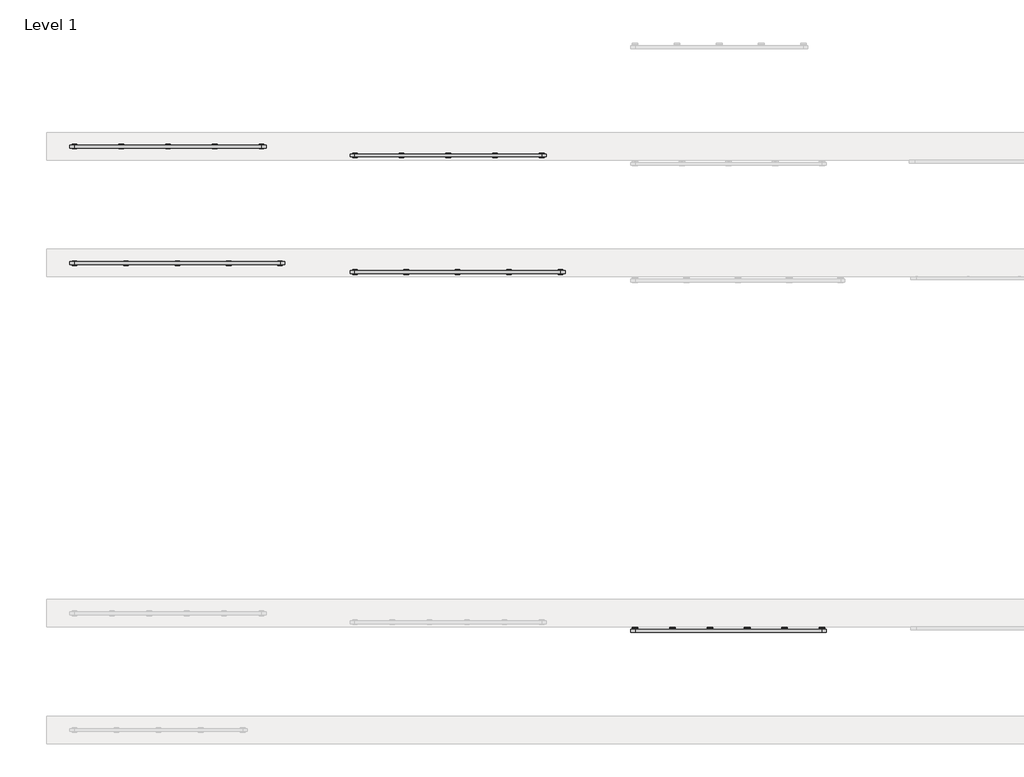
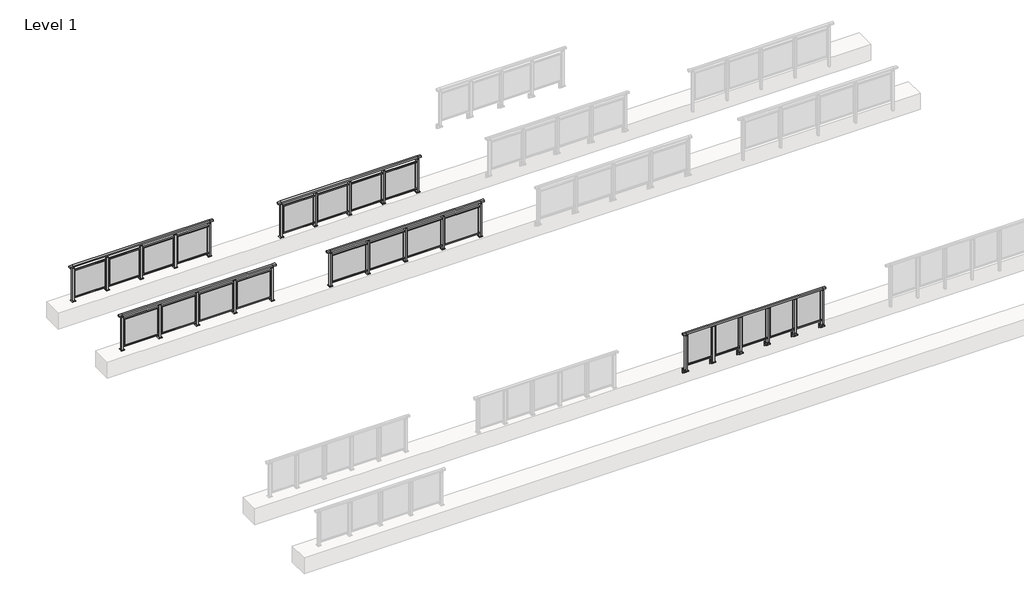
# One storey, part 29 of 37: 5 railings.
"""IFC4 building model written with IfcOpenShell, lengths in millimetres."""

from ifc_helpers import new_model, si_unit, point, frame, frame_2d, origin, origin_with_axes, place, context, project, spatial, polyline, circle_curve, trimmed, segment, composite_curve, outline, extrude, faceted_brep, element, save

model = new_model("IFC4")

# Units and contexts
model_context = context("Model", 3, world=origin())
ifc_project = project(units=[si_unit("LENGTHUNIT", "METRE", prefix="MILLI")], contexts=[model_context])

# Site, building, storey
site = spatial("IfcSite", under=ifc_project)
building = spatial("IfcBuilding", under=site)
storey = spatial("IfcBuildingStorey", under=building, Name="Level 1", Elevation=0.0)

# Railings
placement = place(None, origin())
element("IfcRailing", 1, at=placement, inside=storey, context=model_context, shape_type="SolidModel", body=[
    faceted_brep([(41910.0, 52347.6846828, 1100.0), (41910.0, 52347.6846828, 1055.0), (41910.0, 52287.6846828, 1055.0), (41910.0, 52287.6846828, 1100.0), (42000.0, 52347.6846828, 1100.0), (42000.0, 52347.6846828, 1055.0), (42000.0, 52287.6846828, 1055.0), (42000.0, 52287.6846828, 1100.0), (46000.0, 52347.6846828, 1100.0), (46000.0, 52347.6846828, 1055.0), (46000.0, 52287.6846828, 1055.0), (46000.0, 52287.6846828, 1100.0), (46090.0, 52347.6846828, 1100.0), (46090.0, 52287.6846828, 1100.0), (46090.0, 52287.6846828, 1055.0), (46090.0, 52347.6846828, 1055.0)], [[[0, 1, 2, 3]], [[1, 0, 4, 5]], [[2, 1, 5, 6]], [[3, 2, 6, 7]], [[0, 3, 7, 4]], [[5, 4, 8, 9]], [[6, 5, 9, 10]], [[7, 6, 10, 11]], [[4, 7, 11, 8]], [[12, 13, 14, 15]], [[9, 8, 12, 15]], [[10, 9, 15, 14]], [[11, 10, 14, 13]], [[8, 11, 13, 12]]]),
    extrude(outline(polyline([(42000.0, 52300.1846828), (42000.0, 52335.1846828), (46000.0, 52335.1846828), (46000.0, 52300.1846828), (42000.0, 52300.1846828)])), frame((0.0, 0.0, 95.0), z_axis=(0.0, 0.0, 1.0), x_axis=(1.0, 0.0, 0.0)), (0.0, 0.0, 1.0), 30.0),
    extrude(outline(polyline([(45272.5, 52315.9094929), (45272.5, 52321.9094929), (45927.5, 52321.9094929), (45927.5, 52315.9094929), (45272.5, 52315.9094929)])), frame((0.0, 0.0, 125.0), z_axis=(0.0, 0.0, 1.0), x_axis=(1.0, 0.0, 0.0)), (0.0, 0.0, 1.0), 930.0),
    extrude(outline(composite_curve([segment(polyline([(52350.1846828, -70.0), (52384.1846828, -63.0), (52384.1846828, -32.5), (52400.1846828, -32.5), (52400.1846828, -167.5), (52384.1846828, -167.5), (52384.1846828, -113.5)]), True, "CONTINUOUS"), segment(trimmed(circle_curve(frame_2d((52364.1846828, -113.5)), 20.0), [point((52384.1846828, -113.5))], [point((52364.1846828, -93.5))], True, "CARTESIAN"), True, "CONTINUOUS"), segment(polyline([(52364.1846828, -93.5), (52280.1846828, -93.5), (52280.1846828, -70.0), (52350.1846828, -70.0)]), True, "CONTINUOUS")], self_intersect=False)), frame((45140.0, 0.0, 0.0), z_axis=(1.0, 0.0, 0.0), x_axis=(0.0, 1.0, 0.0)), (0.0, 0.0, 1.0), 120.0),
    extrude(outline(polyline([(45222.5, 52350.1846828), (45222.5, 52285.1846828), (45177.5, 52285.1846828), (45177.5, 52350.1846828), (45222.5, 52350.1846828)])), frame((0.0, 0.0, -70.0), z_axis=(0.0, 0.0, 1.0), x_axis=(1.0, 0.0, 0.0)), (0.0, 0.0, 1.0), 1097.0),
    extrude(outline(polyline([(45210.0, 52327.6846828), (45210.0, 52307.6846828), (45190.0, 52307.6846828), (45190.0, 52327.6846828), (45210.0, 52327.6846828)])), frame((0.0, 0.0, 1035.0), z_axis=(0.0, 0.0, 1.0), x_axis=(1.0, 0.0, 0.0)), (0.0, 0.0, 1.0), 20.0),
    extrude(outline(polyline([(45222.5, 52350.1846828), (45222.5, 52285.1846828), (45177.5, 52285.1846828), (45177.5, 52350.1846828), (45222.5, 52350.1846828)])), frame((0.0, 0.0, 1027.0), z_axis=(0.0, 0.0, 1.0), x_axis=(1.0, 0.0, 0.0)), (0.0, 0.0, 1.0), 8.0),
    extrude(outline(polyline([(44472.5, 52315.9094929), (44472.5, 52321.9094929), (45127.5, 52321.9094929), (45127.5, 52315.9094929), (44472.5, 52315.9094929)])), frame((0.0, 0.0, 125.0), z_axis=(0.0, 0.0, 1.0), x_axis=(1.0, 0.0, 0.0)), (0.0, 0.0, 1.0), 930.0),
    extrude(outline(composite_curve([segment(polyline([(52350.1846828, -70.0), (52384.1846828, -63.0), (52384.1846828, -32.5), (52400.1846828, -32.5), (52400.1846828, -167.5), (52384.1846828, -167.5), (52384.1846828, -113.5)]), True, "CONTINUOUS"), segment(trimmed(circle_curve(frame_2d((52364.1846828, -113.5)), 20.0), [point((52384.1846828, -113.5))], [point((52364.1846828, -93.5))], True, "CARTESIAN"), True, "CONTINUOUS"), segment(polyline([(52364.1846828, -93.5), (52280.1846828, -93.5), (52280.1846828, -70.0), (52350.1846828, -70.0)]), True, "CONTINUOUS")], self_intersect=False)), frame((44340.0, 0.0, 0.0), z_axis=(1.0, 0.0, 0.0), x_axis=(0.0, 1.0, 0.0)), (0.0, 0.0, 1.0), 120.0),
    extrude(outline(polyline([(44422.5, 52350.1846828), (44422.5, 52285.1846828), (44377.5, 52285.1846828), (44377.5, 52350.1846828), (44422.5, 52350.1846828)])), frame((0.0, 0.0, -70.0), z_axis=(0.0, 0.0, 1.0), x_axis=(1.0, 0.0, 0.0)), (0.0, 0.0, 1.0), 1097.0),
    extrude(outline(polyline([(44410.0, 52327.6846828), (44410.0, 52307.6846828), (44390.0, 52307.6846828), (44390.0, 52327.6846828), (44410.0, 52327.6846828)])), frame((0.0, 0.0, 1035.0), z_axis=(0.0, 0.0, 1.0), x_axis=(1.0, 0.0, 0.0)), (0.0, 0.0, 1.0), 20.0),
    extrude(outline(polyline([(44422.5, 52350.1846828), (44422.5, 52285.1846828), (44377.5, 52285.1846828), (44377.5, 52350.1846828), (44422.5, 52350.1846828)])), frame((0.0, 0.0, 1027.0), z_axis=(0.0, 0.0, 1.0), x_axis=(1.0, 0.0, 0.0)), (0.0, 0.0, 1.0), 8.0),
    extrude(outline(polyline([(43672.5, 52315.9094929), (43672.5, 52321.9094929), (44327.5, 52321.9094929), (44327.5, 52315.9094929), (43672.5, 52315.9094929)])), frame((0.0, 0.0, 125.0), z_axis=(0.0, 0.0, 1.0), x_axis=(1.0, 0.0, 0.0)), (0.0, 0.0, 1.0), 930.0),
    extrude(outline(composite_curve([segment(polyline([(52350.1846828, -70.0), (52384.1846828, -63.0), (52384.1846828, -32.5), (52400.1846828, -32.5), (52400.1846828, -167.5), (52384.1846828, -167.5), (52384.1846828, -113.5)]), True, "CONTINUOUS"), segment(trimmed(circle_curve(frame_2d((52364.1846828, -113.5)), 20.0), [point((52384.1846828, -113.5))], [point((52364.1846828, -93.5))], True, "CARTESIAN"), True, "CONTINUOUS"), segment(polyline([(52364.1846828, -93.5), (52280.1846828, -93.5), (52280.1846828, -70.0), (52350.1846828, -70.0)]), True, "CONTINUOUS")], self_intersect=False)), frame((43540.0, 0.0, 0.0), z_axis=(1.0, 0.0, 0.0), x_axis=(0.0, 1.0, 0.0)), (0.0, 0.0, 1.0), 120.0),
    extrude(outline(polyline([(43622.5, 52350.1846828), (43622.5, 52285.1846828), (43577.5, 52285.1846828), (43577.5, 52350.1846828), (43622.5, 52350.1846828)])), frame((0.0, 0.0, -70.0), z_axis=(0.0, 0.0, 1.0), x_axis=(1.0, 0.0, 0.0)), (0.0, 0.0, 1.0), 1097.0),
    extrude(outline(polyline([(43610.0, 52327.6846828), (43610.0, 52307.6846828), (43590.0, 52307.6846828), (43590.0, 52327.6846828), (43610.0, 52327.6846828)])), frame((0.0, 0.0, 1035.0), z_axis=(0.0, 0.0, 1.0), x_axis=(1.0, 0.0, 0.0)), (0.0, 0.0, 1.0), 20.0),
    extrude(outline(polyline([(43622.5, 52350.1846828), (43622.5, 52285.1846828), (43577.5, 52285.1846828), (43577.5, 52350.1846828), (43622.5, 52350.1846828)])), frame((0.0, 0.0, 1027.0), z_axis=(0.0, 0.0, 1.0), x_axis=(1.0, 0.0, 0.0)), (0.0, 0.0, 1.0), 8.0),
    extrude(outline(polyline([(42872.5, 52315.9094929), (42872.5, 52321.9094929), (43527.5, 52321.9094929), (43527.5, 52315.9094929), (42872.5, 52315.9094929)])), frame((0.0, 0.0, 125.0), z_axis=(0.0, 0.0, 1.0), x_axis=(1.0, 0.0, 0.0)), (0.0, 0.0, 1.0), 930.0),
    extrude(outline(composite_curve([segment(polyline([(52350.1846828, -70.0), (52384.1846828, -63.0), (52384.1846828, -32.5), (52400.1846828, -32.5), (52400.1846828, -167.5), (52384.1846828, -167.5), (52384.1846828, -113.5)]), True, "CONTINUOUS"), segment(trimmed(circle_curve(frame_2d((52364.1846828, -113.5)), 20.0), [point((52384.1846828, -113.5))], [point((52364.1846828, -93.5))], True, "CARTESIAN"), True, "CONTINUOUS"), segment(polyline([(52364.1846828, -93.5), (52280.1846828, -93.5), (52280.1846828, -70.0), (52350.1846828, -70.0)]), True, "CONTINUOUS")], self_intersect=False)), frame((42740.0, 0.0, 0.0), z_axis=(1.0, 0.0, 0.0), x_axis=(0.0, 1.0, 0.0)), (0.0, 0.0, 1.0), 120.0),
    extrude(outline(polyline([(42822.5, 52350.1846828), (42822.5, 52285.1846828), (42777.5, 52285.1846828), (42777.5, 52350.1846828), (42822.5, 52350.1846828)])), frame((0.0, 0.0, -70.0), z_axis=(0.0, 0.0, 1.0), x_axis=(1.0, 0.0, 0.0)), (0.0, 0.0, 1.0), 1097.0),
    extrude(outline(polyline([(42810.0, 52327.6846828), (42810.0, 52307.6846828), (42790.0, 52307.6846828), (42790.0, 52327.6846828), (42810.0, 52327.6846828)])), frame((0.0, 0.0, 1035.0), z_axis=(0.0, 0.0, 1.0), x_axis=(1.0, 0.0, 0.0)), (0.0, 0.0, 1.0), 20.0),
    extrude(outline(polyline([(42822.5, 52350.1846828), (42822.5, 52285.1846828), (42777.5, 52285.1846828), (42777.5, 52350.1846828), (42822.5, 52350.1846828)])), frame((0.0, 0.0, 1027.0), z_axis=(0.0, 0.0, 1.0), x_axis=(1.0, 0.0, 0.0)), (0.0, 0.0, 1.0), 8.0),
    extrude(outline(polyline([(42072.5, 52315.9094929), (42072.5, 52321.9094929), (42727.5, 52321.9094929), (42727.5, 52315.9094929), (42072.5, 52315.9094929)])), frame((0.0, 0.0, 125.0), z_axis=(0.0, 0.0, 1.0), x_axis=(1.0, 0.0, 0.0)), (0.0, 0.0, 1.0), 930.0),
    extrude(outline(composite_curve([segment(polyline([(52350.1846828, -70.0), (52384.1846828, -63.0), (52384.1846828, -32.5), (52400.1846828, -32.5), (52400.1846828, -167.5), (52384.1846828, -167.5), (52384.1846828, -113.5)]), True, "CONTINUOUS"), segment(trimmed(circle_curve(frame_2d((52364.1846828, -113.5)), 20.0), [point((52384.1846828, -113.5))], [point((52364.1846828, -93.5))], True, "CARTESIAN"), True, "CONTINUOUS"), segment(polyline([(52364.1846828, -93.5), (52280.1846828, -93.5), (52280.1846828, -70.0), (52350.1846828, -70.0)]), True, "CONTINUOUS")], self_intersect=False)), frame((45940.0, 0.0, 0.0), z_axis=(1.0, 0.0, 0.0), x_axis=(0.0, 1.0, 0.0)), (0.0, 0.0, 1.0), 120.0),
    extrude(outline(polyline([(46022.5, 52350.1846828), (46022.5, 52285.1846828), (45977.5, 52285.1846828), (45977.5, 52350.1846828), (46022.5, 52350.1846828)])), frame((0.0, 0.0, -70.0), z_axis=(0.0, 0.0, 1.0), x_axis=(1.0, 0.0, 0.0)), (0.0, 0.0, 1.0), 1097.0),
    extrude(outline(polyline([(46010.0, 52327.6846828), (46010.0, 52307.6846828), (45990.0, 52307.6846828), (45990.0, 52327.6846828), (46010.0, 52327.6846828)])), frame((0.0, 0.0, 1035.0), z_axis=(0.0, 0.0, 1.0), x_axis=(1.0, 0.0, 0.0)), (0.0, 0.0, 1.0), 20.0),
    extrude(outline(polyline([(46022.5, 52350.1846828), (46022.5, 52285.1846828), (45977.5, 52285.1846828), (45977.5, 52350.1846828), (46022.5, 52350.1846828)])), frame((0.0, 0.0, 1027.0), z_axis=(0.0, 0.0, 1.0), x_axis=(1.0, 0.0, 0.0)), (0.0, 0.0, 1.0), 8.0),
    extrude(outline(composite_curve([segment(polyline([(52350.1846828, -70.0), (52384.1846828, -63.0), (52384.1846828, -32.5), (52400.1846828, -32.5), (52400.1846828, -167.5), (52384.1846828, -167.5), (52384.1846828, -113.5)]), True, "CONTINUOUS"), segment(trimmed(circle_curve(frame_2d((52364.1846828, -113.5)), 20.0), [point((52384.1846828, -113.5))], [point((52364.1846828, -93.5))], True, "CARTESIAN"), True, "CONTINUOUS"), segment(polyline([(52364.1846828, -93.5), (52280.1846828, -93.5), (52280.1846828, -70.0), (52350.1846828, -70.0)]), True, "CONTINUOUS")], self_intersect=False)), frame((41940.0, 0.0, 0.0), z_axis=(1.0, 0.0, 0.0), x_axis=(0.0, 1.0, 0.0)), (0.0, 0.0, 1.0), 120.0),
    extrude(outline(polyline([(42022.5, 52350.1846828), (42022.5, 52285.1846828), (41977.5, 52285.1846828), (41977.5, 52350.1846828), (42022.5, 52350.1846828)])), frame((0.0, 0.0, -70.0), z_axis=(0.0, 0.0, 1.0), x_axis=(1.0, 0.0, 0.0)), (0.0, 0.0, 1.0), 1097.0),
    extrude(outline(polyline([(42010.0, 52327.6846828), (42010.0, 52307.6846828), (41990.0, 52307.6846828), (41990.0, 52327.6846828), (42010.0, 52327.6846828)])), frame((0.0, 0.0, 1035.0), z_axis=(0.0, 0.0, 1.0), x_axis=(1.0, 0.0, 0.0)), (0.0, 0.0, 1.0), 20.0),
    extrude(outline(polyline([(42022.5, 52350.1846828), (42022.5, 52285.1846828), (41977.5, 52285.1846828), (41977.5, 52350.1846828), (42022.5, 52350.1846828)])), frame((0.0, 0.0, 1027.0), z_axis=(0.0, 0.0, 1.0), x_axis=(1.0, 0.0, 0.0)), (0.0, 0.0, 1.0), 8.0),
])
element("IfcRailing", 2, at=placement, inside=storey, context=model_context, shape_type="SolidModel", body=[
    faceted_brep([(30000.0, 60220.1846828, 1055.0), (30000.0, 60220.1846828, 1100.0), (34400.0, 60220.1846828, 1100.0), (34400.0, 60220.1846828, 1055.0), (30000.0, 60160.1846828, 1055.0), (34400.0, 60160.1846828, 1055.0), (30000.0, 60160.1846828, 1100.0), (34400.0, 60160.1846828, 1100.0), (29900.0, 60220.1846828, 1100.0), (29900.0, 60220.1846828, 1055.0), (29900.0, 60160.1846828, 1055.0), (29900.0, 60160.1846828, 1100.0), (34500.0, 60220.1846828, 1100.0), (34500.0, 60160.1846828, 1100.0), (34500.0, 60160.1846828, 1055.0), (34500.0, 60220.1846828, 1055.0)], [[[0, 1, 2, 3]], [[4, 0, 3, 5]], [[6, 4, 5, 7]], [[1, 6, 7, 2]], [[8, 9, 10, 11]], [[9, 8, 1, 0]], [[10, 9, 0, 4]], [[11, 10, 4, 6]], [[8, 11, 6, 1]], [[12, 13, 14, 15]], [[3, 2, 12, 15]], [[5, 3, 15, 14]], [[7, 5, 14, 13]], [[2, 7, 13, 12]]]),
    extrude(outline(polyline([(30000.0, 60172.6846828), (30000.0, 60207.6846828), (34400.0, 60207.6846828), (34400.0, 60172.6846828), (30000.0, 60172.6846828)])), frame((0.0, 0.0, 930.0), z_axis=(0.0, 0.0, 1.0), x_axis=(1.0, 0.0, 0.0)), (0.0, 0.0, 1.0), 30.0),
    extrude(outline(polyline([(30000.0, 60172.6846828), (30000.0, 60207.6846828), (34400.0, 60207.6846828), (34400.0, 60172.6846828), (30000.0, 60172.6846828)])), frame((0.0, 0.0, 95.0), z_axis=(0.0, 0.0, 1.0), x_axis=(1.0, 0.0, 0.0)), (0.0, 0.0, 1.0), 30.0),
    extrude(outline(polyline([(33372.5, 60191.9598727), (34327.5, 60191.9598727), (34327.5, 60185.9598727), (33372.5, 60185.9598727), (33372.5, 60191.9598727)])), frame((0.0, 0.0, 125.0), z_axis=(0.0, 0.0, 1.0), x_axis=(1.0, 0.0, 0.0)), (0.0, 0.0, 1.0), 805.0),
    extrude(outline(polyline([(33310.0, 60180.1846828), (33290.0, 60180.1846828), (33290.0, 60200.1846828), (33310.0, 60200.1846828), (33310.0, 60180.1846828)])), frame((0.0, 0.0, 1035.0), z_axis=(0.0, 0.0, 1.0), x_axis=(1.0, 0.0, 0.0)), (0.0, 0.0, 1.0), 20.0),
    extrude(outline(polyline([(33322.5, 60157.6846828), (33277.5, 60157.6846828), (33277.5, 60222.6846828), (33322.5, 60222.6846828), (33322.5, 60157.6846828)])), frame((0.0, 0.0, 1027.0), z_axis=(0.0, 0.0, 1.0), x_axis=(1.0, 0.0, 0.0)), (0.0, 0.0, 1.0), 8.0),
    extrude(outline(polyline([(33350.0, 60140.1846828), (33250.0, 60140.1846828), (33250.0, 60240.1846828), (33350.0, 60240.1846828), (33350.0, 60140.1846828)])), origin_with_axes(), (0.0, 0.0, 1.0), 12.0),
    extrude(outline(polyline([(33322.5, 60157.6846828), (33277.5, 60157.6846828), (33277.5, 60222.6846828), (33322.5, 60222.6846828), (33322.5, 60157.6846828)])), frame((0.0, 0.0, 12.0), z_axis=(0.0, 0.0, 1.0), x_axis=(1.0, 0.0, 0.0)), (0.0, 0.0, 1.0), 1015.0),
    extrude(outline(polyline([(32272.5, 60191.9598727), (33227.5, 60191.9598727), (33227.5, 60185.9598727), (32272.5, 60185.9598727), (32272.5, 60191.9598727)])), frame((0.0, 0.0, 125.0), z_axis=(0.0, 0.0, 1.0), x_axis=(1.0, 0.0, 0.0)), (0.0, 0.0, 1.0), 805.0),
    extrude(outline(polyline([(32210.0, 60180.1846828), (32190.0, 60180.1846828), (32190.0, 60200.1846828), (32210.0, 60200.1846828), (32210.0, 60180.1846828)])), frame((0.0, 0.0, 1035.0), z_axis=(0.0, 0.0, 1.0), x_axis=(1.0, 0.0, 0.0)), (0.0, 0.0, 1.0), 20.0),
    extrude(outline(polyline([(32222.5, 60157.6846828), (32177.5, 60157.6846828), (32177.5, 60222.6846828), (32222.5, 60222.6846828), (32222.5, 60157.6846828)])), frame((0.0, 0.0, 1027.0), z_axis=(0.0, 0.0, 1.0), x_axis=(1.0, 0.0, 0.0)), (0.0, 0.0, 1.0), 8.0),
    extrude(outline(polyline([(32250.0, 60140.1846828), (32150.0, 60140.1846828), (32150.0, 60240.1846828), (32250.0, 60240.1846828), (32250.0, 60140.1846828)])), origin_with_axes(), (0.0, 0.0, 1.0), 12.0),
    extrude(outline(polyline([(32222.5, 60157.6846828), (32177.5, 60157.6846828), (32177.5, 60222.6846828), (32222.5, 60222.6846828), (32222.5, 60157.6846828)])), frame((0.0, 0.0, 12.0), z_axis=(0.0, 0.0, 1.0), x_axis=(1.0, 0.0, 0.0)), (0.0, 0.0, 1.0), 1015.0),
    extrude(outline(polyline([(31172.5, 60191.9598727), (32127.5, 60191.9598727), (32127.5, 60185.9598727), (31172.5, 60185.9598727), (31172.5, 60191.9598727)])), frame((0.0, 0.0, 125.0), z_axis=(0.0, 0.0, 1.0), x_axis=(1.0, 0.0, 0.0)), (0.0, 0.0, 1.0), 805.0),
    extrude(outline(polyline([(31110.0, 60180.1846828), (31090.0, 60180.1846828), (31090.0, 60200.1846828), (31110.0, 60200.1846828), (31110.0, 60180.1846828)])), frame((0.0, 0.0, 1035.0), z_axis=(0.0, 0.0, 1.0), x_axis=(1.0, 0.0, 0.0)), (0.0, 0.0, 1.0), 20.0),
    extrude(outline(polyline([(31122.5, 60157.6846828), (31077.5, 60157.6846828), (31077.5, 60222.6846828), (31122.5, 60222.6846828), (31122.5, 60157.6846828)])), frame((0.0, 0.0, 1027.0), z_axis=(0.0, 0.0, 1.0), x_axis=(1.0, 0.0, 0.0)), (0.0, 0.0, 1.0), 8.0),
    extrude(outline(polyline([(31150.0, 60140.1846828), (31050.0, 60140.1846828), (31050.0, 60240.1846828), (31150.0, 60240.1846828), (31150.0, 60140.1846828)])), origin_with_axes(), (0.0, 0.0, 1.0), 12.0),
    extrude(outline(polyline([(31122.5, 60157.6846828), (31077.5, 60157.6846828), (31077.5, 60222.6846828), (31122.5, 60222.6846828), (31122.5, 60157.6846828)])), frame((0.0, 0.0, 12.0), z_axis=(0.0, 0.0, 1.0), x_axis=(1.0, 0.0, 0.0)), (0.0, 0.0, 1.0), 1015.0),
    extrude(outline(polyline([(30072.5, 60191.9598727), (31027.5, 60191.9598727), (31027.5, 60185.9598727), (30072.5, 60185.9598727), (30072.5, 60191.9598727)])), frame((0.0, 0.0, 125.0), z_axis=(0.0, 0.0, 1.0), x_axis=(1.0, 0.0, 0.0)), (0.0, 0.0, 1.0), 805.0),
    extrude(outline(polyline([(34410.0, 60180.1846828), (34390.0, 60180.1846828), (34390.0, 60200.1846828), (34410.0, 60200.1846828), (34410.0, 60180.1846828)])), frame((0.0, 0.0, 1035.0), z_axis=(0.0, 0.0, 1.0), x_axis=(1.0, 0.0, 0.0)), (0.0, 0.0, 1.0), 20.0),
    extrude(outline(polyline([(34422.5, 60157.6846828), (34377.5, 60157.6846828), (34377.5, 60222.6846828), (34422.5, 60222.6846828), (34422.5, 60157.6846828)])), frame((0.0, 0.0, 1027.0), z_axis=(0.0, 0.0, 1.0), x_axis=(1.0, 0.0, 0.0)), (0.0, 0.0, 1.0), 8.0),
    extrude(outline(polyline([(34450.0, 60140.1846828), (34350.0, 60140.1846828), (34350.0, 60240.1846828), (34450.0, 60240.1846828), (34450.0, 60140.1846828)])), origin_with_axes(), (0.0, 0.0, 1.0), 12.0),
    extrude(outline(polyline([(34422.5, 60157.6846828), (34377.5, 60157.6846828), (34377.5, 60222.6846828), (34422.5, 60222.6846828), (34422.5, 60157.6846828)])), frame((0.0, 0.0, 12.0), z_axis=(0.0, 0.0, 1.0), x_axis=(1.0, 0.0, 0.0)), (0.0, 0.0, 1.0), 1015.0),
    extrude(outline(polyline([(30010.0, 60180.1846828), (29990.0, 60180.1846828), (29990.0, 60200.1846828), (30010.0, 60200.1846828), (30010.0, 60180.1846828)])), frame((0.0, 0.0, 1035.0), z_axis=(0.0, 0.0, 1.0), x_axis=(1.0, 0.0, 0.0)), (0.0, 0.0, 1.0), 20.0),
    extrude(outline(polyline([(30022.5, 60157.6846828), (29977.5, 60157.6846828), (29977.5, 60222.6846828), (30022.5, 60222.6846828), (30022.5, 60157.6846828)])), frame((0.0, 0.0, 1027.0), z_axis=(0.0, 0.0, 1.0), x_axis=(1.0, 0.0, 0.0)), (0.0, 0.0, 1.0), 8.0),
    extrude(outline(polyline([(30050.0, 60140.1846828), (29950.0, 60140.1846828), (29950.0, 60240.1846828), (30050.0, 60240.1846828), (30050.0, 60140.1846828)])), origin_with_axes(), (0.0, 0.0, 1.0), 12.0),
    extrude(outline(polyline([(30022.5, 60157.6846828), (29977.5, 60157.6846828), (29977.5, 60222.6846828), (30022.5, 60222.6846828), (30022.5, 60157.6846828)])), frame((0.0, 0.0, 12.0), z_axis=(0.0, 0.0, 1.0), x_axis=(1.0, 0.0, 0.0)), (0.0, 0.0, 1.0), 1015.0),
])
element("IfcRailing", 3, at=placement, inside=storey, context=model_context, shape_type="SolidModel", body=[
    faceted_brep([(36000.0, 60030.1846828, 1055.0), (36000.0, 60030.1846828, 1100.0), (40400.0, 60030.1846828, 1100.0), (40400.0, 60030.1846828, 1055.0), (36000.0, 59970.1846828, 1055.0), (40400.0, 59970.1846828, 1055.0), (36000.0, 59970.1846828, 1100.0), (40400.0, 59970.1846828, 1100.0), (35900.0, 60030.1846828, 1100.0), (35900.0, 60030.1846828, 1055.0), (35900.0, 59970.1846828, 1055.0), (35900.0, 59970.1846828, 1100.0), (40500.0, 60030.1846828, 1100.0), (40500.0, 59970.1846828, 1100.0), (40500.0, 59970.1846828, 1055.0), (40500.0, 60030.1846828, 1055.0)], [[[0, 1, 2, 3]], [[4, 0, 3, 5]], [[6, 4, 5, 7]], [[1, 6, 7, 2]], [[8, 9, 10, 11]], [[9, 8, 1, 0]], [[10, 9, 0, 4]], [[11, 10, 4, 6]], [[8, 11, 6, 1]], [[12, 13, 14, 15]], [[3, 2, 12, 15]], [[5, 3, 15, 14]], [[7, 5, 14, 13]], [[2, 7, 13, 12]]]),
    extrude(outline(polyline([(36000.0, 59982.6846828), (36000.0, 60017.6846828), (40400.0, 60017.6846828), (40400.0, 59982.6846828), (36000.0, 59982.6846828)])), frame((0.0, 0.0, 930.0), z_axis=(0.0, 0.0, 1.0), x_axis=(1.0, 0.0, 0.0)), (0.0, 0.0, 1.0), 30.0),
    extrude(outline(polyline([(36000.0, 59982.6846828), (36000.0, 60017.6846828), (40400.0, 60017.6846828), (40400.0, 59982.6846828), (36000.0, 59982.6846828)])), frame((0.0, 0.0, 95.0), z_axis=(0.0, 0.0, 1.0), x_axis=(1.0, 0.0, 0.0)), (0.0, 0.0, 1.0), 30.0),
    extrude(outline(polyline([(39372.5, 60001.9598727), (40327.5, 60001.9598727), (40327.5, 59995.9598727), (39372.5, 59995.9598727), (39372.5, 60001.9598727)])), frame((0.0, 0.0, 125.0), z_axis=(0.0, 0.0, 1.0), x_axis=(1.0, 0.0, 0.0)), (0.0, 0.0, 1.0), 805.0),
    extrude(outline(polyline([(39310.0, 59990.1846828), (39290.0, 59990.1846828), (39290.0, 60010.1846828), (39310.0, 60010.1846828), (39310.0, 59990.1846828)])), frame((0.0, 0.0, 1035.0), z_axis=(0.0, 0.0, 1.0), x_axis=(1.0, 0.0, 0.0)), (0.0, 0.0, 1.0), 20.0),
    extrude(outline(polyline([(39322.5, 59967.6846828), (39277.5, 59967.6846828), (39277.5, 60032.6846828), (39322.5, 60032.6846828), (39322.5, 59967.6846828)])), frame((0.0, 0.0, 1027.0), z_axis=(0.0, 0.0, 1.0), x_axis=(1.0, 0.0, 0.0)), (0.0, 0.0, 1.0), 8.0),
    extrude(outline(polyline([(39350.0, 59950.1846828), (39250.0, 59950.1846828), (39250.0, 60050.1846828), (39350.0, 60050.1846828), (39350.0, 59950.1846828)])), origin_with_axes(), (0.0, 0.0, 1.0), 12.0),
    extrude(outline(polyline([(39322.5, 59967.6846828), (39277.5, 59967.6846828), (39277.5, 60032.6846828), (39322.5, 60032.6846828), (39322.5, 59967.6846828)])), frame((0.0, 0.0, 12.0), z_axis=(0.0, 0.0, 1.0), x_axis=(1.0, 0.0, 0.0)), (0.0, 0.0, 1.0), 1015.0),
    extrude(outline(polyline([(38272.5, 60001.9598727), (39227.5, 60001.9598727), (39227.5, 59995.9598727), (38272.5, 59995.9598727), (38272.5, 60001.9598727)])), frame((0.0, 0.0, 125.0), z_axis=(0.0, 0.0, 1.0), x_axis=(1.0, 0.0, 0.0)), (0.0, 0.0, 1.0), 805.0),
    extrude(outline(polyline([(38210.0, 59990.1846828), (38190.0, 59990.1846828), (38190.0, 60010.1846828), (38210.0, 60010.1846828), (38210.0, 59990.1846828)])), frame((0.0, 0.0, 1035.0), z_axis=(0.0, 0.0, 1.0), x_axis=(1.0, 0.0, 0.0)), (0.0, 0.0, 1.0), 20.0),
    extrude(outline(polyline([(38222.5, 59967.6846828), (38177.5, 59967.6846828), (38177.5, 60032.6846828), (38222.5, 60032.6846828), (38222.5, 59967.6846828)])), frame((0.0, 0.0, 1027.0), z_axis=(0.0, 0.0, 1.0), x_axis=(1.0, 0.0, 0.0)), (0.0, 0.0, 1.0), 8.0),
    extrude(outline(polyline([(38250.0, 59950.1846828), (38150.0, 59950.1846828), (38150.0, 60050.1846828), (38250.0, 60050.1846828), (38250.0, 59950.1846828)])), origin_with_axes(), (0.0, 0.0, 1.0), 12.0),
    extrude(outline(polyline([(38222.5, 59967.6846828), (38177.5, 59967.6846828), (38177.5, 60032.6846828), (38222.5, 60032.6846828), (38222.5, 59967.6846828)])), frame((0.0, 0.0, 12.0), z_axis=(0.0, 0.0, 1.0), x_axis=(1.0, 0.0, 0.0)), (0.0, 0.0, 1.0), 1015.0),
    extrude(outline(polyline([(37172.5, 60001.9598727), (38127.5, 60001.9598727), (38127.5, 59995.9598727), (37172.5, 59995.9598727), (37172.5, 60001.9598727)])), frame((0.0, 0.0, 125.0), z_axis=(0.0, 0.0, 1.0), x_axis=(1.0, 0.0, 0.0)), (0.0, 0.0, 1.0), 805.0),
    extrude(outline(polyline([(37110.0, 59990.1846828), (37090.0, 59990.1846828), (37090.0, 60010.1846828), (37110.0, 60010.1846828), (37110.0, 59990.1846828)])), frame((0.0, 0.0, 1035.0), z_axis=(0.0, 0.0, 1.0), x_axis=(1.0, 0.0, 0.0)), (0.0, 0.0, 1.0), 20.0),
    extrude(outline(polyline([(37122.5, 59967.6846828), (37077.5, 59967.6846828), (37077.5, 60032.6846828), (37122.5, 60032.6846828), (37122.5, 59967.6846828)])), frame((0.0, 0.0, 1027.0), z_axis=(0.0, 0.0, 1.0), x_axis=(1.0, 0.0, 0.0)), (0.0, 0.0, 1.0), 8.0),
    extrude(outline(polyline([(37150.0, 59950.1846828), (37050.0, 59950.1846828), (37050.0, 60050.1846828), (37150.0, 60050.1846828), (37150.0, 59950.1846828)])), origin_with_axes(), (0.0, 0.0, 1.0), 12.0),
    extrude(outline(polyline([(37122.5, 59967.6846828), (37077.5, 59967.6846828), (37077.5, 60032.6846828), (37122.5, 60032.6846828), (37122.5, 59967.6846828)])), frame((0.0, 0.0, 12.0), z_axis=(0.0, 0.0, 1.0), x_axis=(1.0, 0.0, 0.0)), (0.0, 0.0, 1.0), 1015.0),
    extrude(outline(polyline([(36072.5, 60001.9598727), (37027.5, 60001.9598727), (37027.5, 59995.9598727), (36072.5, 59995.9598727), (36072.5, 60001.9598727)])), frame((0.0, 0.0, 125.0), z_axis=(0.0, 0.0, 1.0), x_axis=(1.0, 0.0, 0.0)), (0.0, 0.0, 1.0), 805.0),
    extrude(outline(polyline([(40410.0, 59990.1846828), (40390.0, 59990.1846828), (40390.0, 60010.1846828), (40410.0, 60010.1846828), (40410.0, 59990.1846828)])), frame((0.0, 0.0, 1035.0), z_axis=(0.0, 0.0, 1.0), x_axis=(1.0, 0.0, 0.0)), (0.0, 0.0, 1.0), 20.0),
    extrude(outline(polyline([(40422.5, 59967.6846828), (40377.5, 59967.6846828), (40377.5, 60032.6846828), (40422.5, 60032.6846828), (40422.5, 59967.6846828)])), frame((0.0, 0.0, 1027.0), z_axis=(0.0, 0.0, 1.0), x_axis=(1.0, 0.0, 0.0)), (0.0, 0.0, 1.0), 8.0),
    extrude(outline(polyline([(40450.0, 59950.1846828), (40350.0, 59950.1846828), (40350.0, 60050.1846828), (40450.0, 60050.1846828), (40450.0, 59950.1846828)])), origin_with_axes(), (0.0, 0.0, 1.0), 12.0),
    extrude(outline(polyline([(40422.5, 59967.6846828), (40377.5, 59967.6846828), (40377.5, 60032.6846828), (40422.5, 60032.6846828), (40422.5, 59967.6846828)])), frame((0.0, 0.0, 12.0), z_axis=(0.0, 0.0, 1.0), x_axis=(1.0, 0.0, 0.0)), (0.0, 0.0, 1.0), 1015.0),
    extrude(outline(polyline([(36010.0, 59990.1846828), (35990.0, 59990.1846828), (35990.0, 60010.1846828), (36010.0, 60010.1846828), (36010.0, 59990.1846828)])), frame((0.0, 0.0, 1035.0), z_axis=(0.0, 0.0, 1.0), x_axis=(1.0, 0.0, 0.0)), (0.0, 0.0, 1.0), 20.0),
    extrude(outline(polyline([(36022.5, 59967.6846828), (35977.5, 59967.6846828), (35977.5, 60032.6846828), (36022.5, 60032.6846828), (36022.5, 59967.6846828)])), frame((0.0, 0.0, 1027.0), z_axis=(0.0, 0.0, 1.0), x_axis=(1.0, 0.0, 0.0)), (0.0, 0.0, 1.0), 8.0),
    extrude(outline(polyline([(36050.0, 59950.1846828), (35950.0, 59950.1846828), (35950.0, 60050.1846828), (36050.0, 60050.1846828), (36050.0, 59950.1846828)])), origin_with_axes(), (0.0, 0.0, 1.0), 12.0),
    extrude(outline(polyline([(36022.5, 59967.6846828), (35977.5, 59967.6846828), (35977.5, 60032.6846828), (36022.5, 60032.6846828), (36022.5, 59967.6846828)])), frame((0.0, 0.0, 12.0), z_axis=(0.0, 0.0, 1.0), x_axis=(1.0, 0.0, 0.0)), (0.0, 0.0, 1.0), 1015.0),
])
element("IfcRailing", 4, at=placement, inside=storey, context=model_context, shape_type="SolidModel", body=[
    faceted_brep([(30000.0, 62720.1846828, 1055.0), (30000.0, 62720.1846828, 1100.0), (34000.0, 62720.1846828, 1100.0), (34000.0, 62720.1846828, 1055.0), (30000.0, 62660.1846828, 1055.0), (34000.0, 62660.1846828, 1055.0), (30000.0, 62660.1846828, 1100.0), (34000.0, 62660.1846828, 1100.0), (29900.0, 62720.1846828, 1100.0), (29900.0, 62720.1846828, 1055.0), (29900.0, 62660.1846828, 1055.0), (29900.0, 62660.1846828, 1100.0), (34100.0, 62720.1846828, 1100.0), (34100.0, 62660.1846828, 1100.0), (34100.0, 62660.1846828, 1055.0), (34100.0, 62720.1846828, 1055.0)], [[[0, 1, 2, 3]], [[4, 0, 3, 5]], [[6, 4, 5, 7]], [[1, 6, 7, 2]], [[8, 9, 10, 11]], [[9, 8, 1, 0]], [[10, 9, 0, 4]], [[11, 10, 4, 6]], [[8, 11, 6, 1]], [[12, 13, 14, 15]], [[3, 2, 12, 15]], [[5, 3, 15, 14]], [[7, 5, 14, 13]], [[2, 7, 13, 12]]]),
    extrude(outline(polyline([(30000.0, 62672.6846828), (30000.0, 62707.6846828), (34000.0, 62707.6846828), (34000.0, 62672.6846828), (30000.0, 62672.6846828)])), frame((0.0, 0.0, 95.0), z_axis=(0.0, 0.0, 1.0), x_axis=(1.0, 0.0, 0.0)), (0.0, 0.0, 1.0), 30.0),
    extrude(outline(polyline([(30000.0, 62672.6846828), (30000.0, 62707.6846828), (34000.0, 62707.6846828), (34000.0, 62672.6846828), (30000.0, 62672.6846828)])), frame((0.0, 0.0, 930.0), z_axis=(0.0, 0.0, 1.0), x_axis=(1.0, 0.0, 0.0)), (0.0, 0.0, 1.0), 30.0),
    extrude(outline(polyline([(33072.5, 62691.9598727), (33927.5, 62691.9598727), (33927.5, 62685.9598727), (33072.5, 62685.9598727), (33072.5, 62691.9598727)])), frame((0.0, 0.0, 125.0), z_axis=(0.0, 0.0, 1.0), x_axis=(1.0, 0.0, 0.0)), (0.0, 0.0, 1.0), 805.0),
    extrude(outline(polyline([(33010.0, 62680.1846828), (32990.0, 62680.1846828), (32990.0, 62700.1846828), (33010.0, 62700.1846828), (33010.0, 62680.1846828)])), frame((0.0, 0.0, 1035.0), z_axis=(0.0, 0.0, 1.0), x_axis=(1.0, 0.0, 0.0)), (0.0, 0.0, 1.0), 20.0),
    extrude(outline(polyline([(33022.5, 62657.6846828), (32977.5, 62657.6846828), (32977.5, 62722.6846828), (33022.5, 62722.6846828), (33022.5, 62657.6846828)])), frame((0.0, 0.0, 1027.0), z_axis=(0.0, 0.0, 1.0), x_axis=(1.0, 0.0, 0.0)), (0.0, 0.0, 1.0), 8.0),
    extrude(outline(polyline([(33050.0, 62640.1846828), (32950.0, 62640.1846828), (32950.0, 62740.1846828), (33050.0, 62740.1846828), (33050.0, 62640.1846828)])), origin_with_axes(), (0.0, 0.0, 1.0), 12.0),
    extrude(outline(polyline([(33022.5, 62657.6846828), (32977.5, 62657.6846828), (32977.5, 62722.6846828), (33022.5, 62722.6846828), (33022.5, 62657.6846828)])), frame((0.0, 0.0, 12.0), z_axis=(0.0, 0.0, 1.0), x_axis=(1.0, 0.0, 0.0)), (0.0, 0.0, 1.0), 1015.0),
    extrude(outline(polyline([(32072.5, 62691.9598727), (32927.5, 62691.9598727), (32927.5, 62685.9598727), (32072.5, 62685.9598727), (32072.5, 62691.9598727)])), frame((0.0, 0.0, 125.0), z_axis=(0.0, 0.0, 1.0), x_axis=(1.0, 0.0, 0.0)), (0.0, 0.0, 1.0), 805.0),
    extrude(outline(polyline([(32010.0, 62680.1846828), (31990.0, 62680.1846828), (31990.0, 62700.1846828), (32010.0, 62700.1846828), (32010.0, 62680.1846828)])), frame((0.0, 0.0, 1035.0), z_axis=(0.0, 0.0, 1.0), x_axis=(1.0, 0.0, 0.0)), (0.0, 0.0, 1.0), 20.0),
    extrude(outline(polyline([(32022.5, 62657.6846828), (31977.5, 62657.6846828), (31977.5, 62722.6846828), (32022.5, 62722.6846828), (32022.5, 62657.6846828)])), frame((0.0, 0.0, 1027.0), z_axis=(0.0, 0.0, 1.0), x_axis=(1.0, 0.0, 0.0)), (0.0, 0.0, 1.0), 8.0),
    extrude(outline(polyline([(32050.0, 62640.1846828), (31950.0, 62640.1846828), (31950.0, 62740.1846828), (32050.0, 62740.1846828), (32050.0, 62640.1846828)])), origin_with_axes(), (0.0, 0.0, 1.0), 12.0),
    extrude(outline(polyline([(32022.5, 62657.6846828), (31977.5, 62657.6846828), (31977.5, 62722.6846828), (32022.5, 62722.6846828), (32022.5, 62657.6846828)])), frame((0.0, 0.0, 12.0), z_axis=(0.0, 0.0, 1.0), x_axis=(1.0, 0.0, 0.0)), (0.0, 0.0, 1.0), 1015.0),
    extrude(outline(polyline([(31072.5, 62691.9598727), (31927.5, 62691.9598727), (31927.5, 62685.9598727), (31072.5, 62685.9598727), (31072.5, 62691.9598727)])), frame((0.0, 0.0, 125.0), z_axis=(0.0, 0.0, 1.0), x_axis=(1.0, 0.0, 0.0)), (0.0, 0.0, 1.0), 805.0),
    extrude(outline(polyline([(31010.0, 62680.1846828), (30990.0, 62680.1846828), (30990.0, 62700.1846828), (31010.0, 62700.1846828), (31010.0, 62680.1846828)])), frame((0.0, 0.0, 1035.0), z_axis=(0.0, 0.0, 1.0), x_axis=(1.0, 0.0, 0.0)), (0.0, 0.0, 1.0), 20.0),
    extrude(outline(polyline([(31022.5, 62657.6846828), (30977.5, 62657.6846828), (30977.5, 62722.6846828), (31022.5, 62722.6846828), (31022.5, 62657.6846828)])), frame((0.0, 0.0, 1027.0), z_axis=(0.0, 0.0, 1.0), x_axis=(1.0, 0.0, 0.0)), (0.0, 0.0, 1.0), 8.0),
    extrude(outline(polyline([(31050.0, 62640.1846828), (30950.0, 62640.1846828), (30950.0, 62740.1846828), (31050.0, 62740.1846828), (31050.0, 62640.1846828)])), origin_with_axes(), (0.0, 0.0, 1.0), 12.0),
    extrude(outline(polyline([(31022.5, 62657.6846828), (30977.5, 62657.6846828), (30977.5, 62722.6846828), (31022.5, 62722.6846828), (31022.5, 62657.6846828)])), frame((0.0, 0.0, 12.0), z_axis=(0.0, 0.0, 1.0), x_axis=(1.0, 0.0, 0.0)), (0.0, 0.0, 1.0), 1015.0),
    extrude(outline(polyline([(30072.5, 62691.9598727), (30927.5, 62691.9598727), (30927.5, 62685.9598727), (30072.5, 62685.9598727), (30072.5, 62691.9598727)])), frame((0.0, 0.0, 125.0), z_axis=(0.0, 0.0, 1.0), x_axis=(1.0, 0.0, 0.0)), (0.0, 0.0, 1.0), 805.0),
    extrude(outline(polyline([(34010.0, 62680.1846828), (33990.0, 62680.1846828), (33990.0, 62700.1846828), (34010.0, 62700.1846828), (34010.0, 62680.1846828)])), frame((0.0, 0.0, 1035.0), z_axis=(0.0, 0.0, 1.0), x_axis=(1.0, 0.0, 0.0)), (0.0, 0.0, 1.0), 20.0),
    extrude(outline(polyline([(34022.5, 62657.6846828), (33977.5, 62657.6846828), (33977.5, 62722.6846828), (34022.5, 62722.6846828), (34022.5, 62657.6846828)])), frame((0.0, 0.0, 1027.0), z_axis=(0.0, 0.0, 1.0), x_axis=(1.0, 0.0, 0.0)), (0.0, 0.0, 1.0), 8.0),
    extrude(outline(polyline([(34050.0, 62640.1846828), (33950.0, 62640.1846828), (33950.0, 62740.1846828), (34050.0, 62740.1846828), (34050.0, 62640.1846828)])), origin_with_axes(), (0.0, 0.0, 1.0), 12.0),
    extrude(outline(polyline([(34022.5, 62657.6846828), (33977.5, 62657.6846828), (33977.5, 62722.6846828), (34022.5, 62722.6846828), (34022.5, 62657.6846828)])), frame((0.0, 0.0, 12.0), z_axis=(0.0, 0.0, 1.0), x_axis=(1.0, 0.0, 0.0)), (0.0, 0.0, 1.0), 1015.0),
    extrude(outline(polyline([(30010.0, 62680.1846828), (29990.0, 62680.1846828), (29990.0, 62700.1846828), (30010.0, 62700.1846828), (30010.0, 62680.1846828)])), frame((0.0, 0.0, 1035.0), z_axis=(0.0, 0.0, 1.0), x_axis=(1.0, 0.0, 0.0)), (0.0, 0.0, 1.0), 20.0),
    extrude(outline(polyline([(30022.5, 62657.6846828), (29977.5, 62657.6846828), (29977.5, 62722.6846828), (30022.5, 62722.6846828), (30022.5, 62657.6846828)])), frame((0.0, 0.0, 1027.0), z_axis=(0.0, 0.0, 1.0), x_axis=(1.0, 0.0, 0.0)), (0.0, 0.0, 1.0), 8.0),
    extrude(outline(polyline([(30050.0, 62640.1846828), (29950.0, 62640.1846828), (29950.0, 62740.1846828), (30050.0, 62740.1846828), (30050.0, 62640.1846828)])), origin_with_axes(), (0.0, 0.0, 1.0), 12.0),
    extrude(outline(polyline([(30022.5, 62657.6846828), (29977.5, 62657.6846828), (29977.5, 62722.6846828), (30022.5, 62722.6846828), (30022.5, 62657.6846828)])), frame((0.0, 0.0, 12.0), z_axis=(0.0, 0.0, 1.0), x_axis=(1.0, 0.0, 0.0)), (0.0, 0.0, 1.0), 1015.0),
])
element("IfcRailing", 5, at=placement, inside=storey, context=model_context, shape_type="SolidModel", body=[
    faceted_brep([(36000.0, 62530.1846828, 1055.0), (36000.0, 62530.1846828, 1100.0), (40000.0, 62530.1846828, 1100.0), (40000.0, 62530.1846828, 1055.0), (36000.0, 62470.1846828, 1055.0), (40000.0, 62470.1846828, 1055.0), (36000.0, 62470.1846828, 1100.0), (40000.0, 62470.1846828, 1100.0), (35900.0, 62530.1846828, 1100.0), (35900.0, 62530.1846828, 1055.0), (35900.0, 62470.1846828, 1055.0), (35900.0, 62470.1846828, 1100.0), (40100.0, 62530.1846828, 1100.0), (40100.0, 62470.1846828, 1100.0), (40100.0, 62470.1846828, 1055.0), (40100.0, 62530.1846828, 1055.0)], [[[0, 1, 2, 3]], [[4, 0, 3, 5]], [[6, 4, 5, 7]], [[1, 6, 7, 2]], [[8, 9, 10, 11]], [[9, 8, 1, 0]], [[10, 9, 0, 4]], [[11, 10, 4, 6]], [[8, 11, 6, 1]], [[12, 13, 14, 15]], [[3, 2, 12, 15]], [[5, 3, 15, 14]], [[7, 5, 14, 13]], [[2, 7, 13, 12]]]),
    extrude(outline(polyline([(36000.0, 62482.6846828), (36000.0, 62517.6846828), (40000.0, 62517.6846828), (40000.0, 62482.6846828), (36000.0, 62482.6846828)])), frame((0.0, 0.0, 930.0), z_axis=(0.0, 0.0, 1.0), x_axis=(1.0, 0.0, 0.0)), (0.0, 0.0, 1.0), 30.0),
    extrude(outline(polyline([(36000.0, 62482.6846828), (36000.0, 62517.6846828), (40000.0, 62517.6846828), (40000.0, 62482.6846828), (36000.0, 62482.6846828)])), frame((0.0, 0.0, 95.0), z_axis=(0.0, 0.0, 1.0), x_axis=(1.0, 0.0, 0.0)), (0.0, 0.0, 1.0), 30.0),
    extrude(outline(polyline([(39072.5, 62501.9598727), (39927.5, 62501.9598727), (39927.5, 62495.9598727), (39072.5, 62495.9598727), (39072.5, 62501.9598727)])), frame((0.0, 0.0, 125.0), z_axis=(0.0, 0.0, 1.0), x_axis=(1.0, 0.0, 0.0)), (0.0, 0.0, 1.0), 800.0),
    extrude(outline(polyline([(39010.0, 62490.1846828), (38990.0, 62490.1846828), (38990.0, 62510.1846828), (39010.0, 62510.1846828), (39010.0, 62490.1846828)])), frame((0.0, 0.0, 1035.0), z_axis=(0.0, 0.0, 1.0), x_axis=(1.0, 0.0, 0.0)), (0.0, 0.0, 1.0), 20.0),
    extrude(outline(polyline([(39022.5, 62467.6846828), (38977.5, 62467.6846828), (38977.5, 62532.6846828), (39022.5, 62532.6846828), (39022.5, 62467.6846828)])), frame((0.0, 0.0, 1027.0), z_axis=(0.0, 0.0, 1.0), x_axis=(1.0, 0.0, 0.0)), (0.0, 0.0, 1.0), 8.0),
    extrude(outline(polyline([(39050.0, 62450.1846828), (38950.0, 62450.1846828), (38950.0, 62550.1846828), (39050.0, 62550.1846828), (39050.0, 62450.1846828)])), origin_with_axes(), (0.0, 0.0, 1.0), 12.0),
    extrude(outline(polyline([(39022.5, 62467.6846828), (38977.5, 62467.6846828), (38977.5, 62532.6846828), (39022.5, 62532.6846828), (39022.5, 62467.6846828)])), frame((0.0, 0.0, 12.0), z_axis=(0.0, 0.0, 1.0), x_axis=(1.0, 0.0, 0.0)), (0.0, 0.0, 1.0), 1015.0),
    extrude(outline(polyline([(38072.5, 62501.9598727), (38927.5, 62501.9598727), (38927.5, 62495.9598727), (38072.5, 62495.9598727), (38072.5, 62501.9598727)])), frame((0.0, 0.0, 125.0), z_axis=(0.0, 0.0, 1.0), x_axis=(1.0, 0.0, 0.0)), (0.0, 0.0, 1.0), 800.0),
    extrude(outline(polyline([(38010.0, 62490.1846828), (37990.0, 62490.1846828), (37990.0, 62510.1846828), (38010.0, 62510.1846828), (38010.0, 62490.1846828)])), frame((0.0, 0.0, 1035.0), z_axis=(0.0, 0.0, 1.0), x_axis=(1.0, 0.0, 0.0)), (0.0, 0.0, 1.0), 20.0),
    extrude(outline(polyline([(38022.5, 62467.6846828), (37977.5, 62467.6846828), (37977.5, 62532.6846828), (38022.5, 62532.6846828), (38022.5, 62467.6846828)])), frame((0.0, 0.0, 1027.0), z_axis=(0.0, 0.0, 1.0), x_axis=(1.0, 0.0, 0.0)), (0.0, 0.0, 1.0), 8.0),
    extrude(outline(polyline([(38050.0, 62450.1846828), (37950.0, 62450.1846828), (37950.0, 62550.1846828), (38050.0, 62550.1846828), (38050.0, 62450.1846828)])), origin_with_axes(), (0.0, 0.0, 1.0), 12.0),
    extrude(outline(polyline([(38022.5, 62467.6846828), (37977.5, 62467.6846828), (37977.5, 62532.6846828), (38022.5, 62532.6846828), (38022.5, 62467.6846828)])), frame((0.0, 0.0, 12.0), z_axis=(0.0, 0.0, 1.0), x_axis=(1.0, 0.0, 0.0)), (0.0, 0.0, 1.0), 1015.0),
    extrude(outline(polyline([(37072.5, 62501.9598727), (37927.5, 62501.9598727), (37927.5, 62495.9598727), (37072.5, 62495.9598727), (37072.5, 62501.9598727)])), frame((0.0, 0.0, 125.0), z_axis=(0.0, 0.0, 1.0), x_axis=(1.0, 0.0, 0.0)), (0.0, 0.0, 1.0), 800.0),
    extrude(outline(polyline([(37010.0, 62490.1846828), (36990.0, 62490.1846828), (36990.0, 62510.1846828), (37010.0, 62510.1846828), (37010.0, 62490.1846828)])), frame((0.0, 0.0, 1035.0), z_axis=(0.0, 0.0, 1.0), x_axis=(1.0, 0.0, 0.0)), (0.0, 0.0, 1.0), 20.0),
    extrude(outline(polyline([(37022.5, 62467.6846828), (36977.5, 62467.6846828), (36977.5, 62532.6846828), (37022.5, 62532.6846828), (37022.5, 62467.6846828)])), frame((0.0, 0.0, 1027.0), z_axis=(0.0, 0.0, 1.0), x_axis=(1.0, 0.0, 0.0)), (0.0, 0.0, 1.0), 8.0),
    extrude(outline(polyline([(37050.0, 62450.1846828), (36950.0, 62450.1846828), (36950.0, 62550.1846828), (37050.0, 62550.1846828), (37050.0, 62450.1846828)])), origin_with_axes(), (0.0, 0.0, 1.0), 12.0),
    extrude(outline(polyline([(37022.5, 62467.6846828), (36977.5, 62467.6846828), (36977.5, 62532.6846828), (37022.5, 62532.6846828), (37022.5, 62467.6846828)])), frame((0.0, 0.0, 12.0), z_axis=(0.0, 0.0, 1.0), x_axis=(1.0, 0.0, 0.0)), (0.0, 0.0, 1.0), 1015.0),
    extrude(outline(polyline([(36072.5, 62501.9598727), (36927.5, 62501.9598727), (36927.5, 62495.9598727), (36072.5, 62495.9598727), (36072.5, 62501.9598727)])), frame((0.0, 0.0, 125.0), z_axis=(0.0, 0.0, 1.0), x_axis=(1.0, 0.0, 0.0)), (0.0, 0.0, 1.0), 800.0),
    extrude(outline(polyline([(40010.0, 62490.1846828), (39990.0, 62490.1846828), (39990.0, 62510.1846828), (40010.0, 62510.1846828), (40010.0, 62490.1846828)])), frame((0.0, 0.0, 1035.0), z_axis=(0.0, 0.0, 1.0), x_axis=(1.0, 0.0, 0.0)), (0.0, 0.0, 1.0), 20.0),
    extrude(outline(polyline([(40022.5, 62467.6846828), (39977.5, 62467.6846828), (39977.5, 62532.6846828), (40022.5, 62532.6846828), (40022.5, 62467.6846828)])), frame((0.0, 0.0, 1027.0), z_axis=(0.0, 0.0, 1.0), x_axis=(1.0, 0.0, 0.0)), (0.0, 0.0, 1.0), 8.0),
    extrude(outline(polyline([(40050.0, 62450.1846828), (39950.0, 62450.1846828), (39950.0, 62550.1846828), (40050.0, 62550.1846828), (40050.0, 62450.1846828)])), origin_with_axes(), (0.0, 0.0, 1.0), 12.0),
    extrude(outline(polyline([(40022.5, 62467.6846828), (39977.5, 62467.6846828), (39977.5, 62532.6846828), (40022.5, 62532.6846828), (40022.5, 62467.6846828)])), frame((0.0, 0.0, 12.0), z_axis=(0.0, 0.0, 1.0), x_axis=(1.0, 0.0, 0.0)), (0.0, 0.0, 1.0), 1015.0),
    extrude(outline(polyline([(36010.0, 62490.1846828), (35990.0, 62490.1846828), (35990.0, 62510.1846828), (36010.0, 62510.1846828), (36010.0, 62490.1846828)])), frame((0.0, 0.0, 1035.0), z_axis=(0.0, 0.0, 1.0), x_axis=(1.0, 0.0, 0.0)), (0.0, 0.0, 1.0), 20.0),
    extrude(outline(polyline([(36022.5, 62467.6846828), (35977.5, 62467.6846828), (35977.5, 62532.6846828), (36022.5, 62532.6846828), (36022.5, 62467.6846828)])), frame((0.0, 0.0, 1027.0), z_axis=(0.0, 0.0, 1.0), x_axis=(1.0, 0.0, 0.0)), (0.0, 0.0, 1.0), 8.0),
    extrude(outline(polyline([(36050.0, 62450.1846828), (35950.0, 62450.1846828), (35950.0, 62550.1846828), (36050.0, 62550.1846828), (36050.0, 62450.1846828)])), origin_with_axes(), (0.0, 0.0, 1.0), 12.0),
    extrude(outline(polyline([(36022.5, 62467.6846828), (35977.5, 62467.6846828), (35977.5, 62532.6846828), (36022.5, 62532.6846828), (36022.5, 62467.6846828)])), frame((0.0, 0.0, 12.0), z_axis=(0.0, 0.0, 1.0), x_axis=(1.0, 0.0, 0.0)), (0.0, 0.0, 1.0), 1015.0),
])

save(model, "model.ifc")
